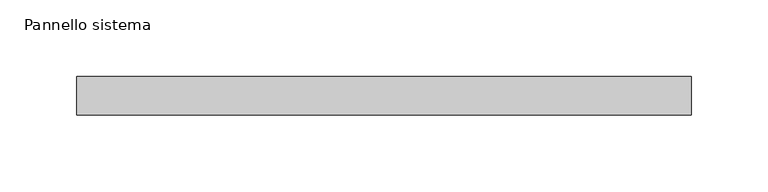
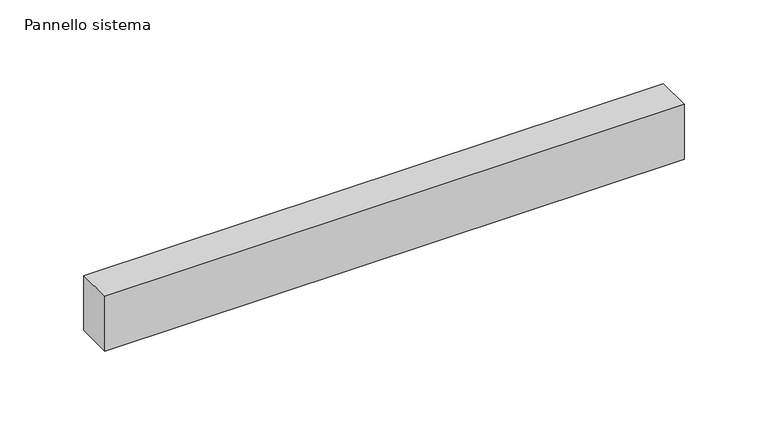
"""IFC4 building model written with IfcOpenShell, lengths in millimetres: plate geometry, Pannello sistema."""

import ifcopenshell
import ifcopenshell.guid

model = None  # the IFC model being written
_history = None  # IfcOwnerHistory: only IFC2X3 demands one
_inside = {}  # id of a spatial element -> (the spatial element, [elements in it])
_under = {}  # id of a project, library or spatial element -> (it, [spatial elements below it])
_declared = {}  # id of a project -> (the project, [libraries it declares])
_typed = {}  # id of a type object -> (the type object, [elements of that type])
_made_of = {}  # id of a material, layer set ... -> (it, [elements and type objects made of it])


def new_model(schema):
    """Start an empty IFC model of exactly this schema.

    Asked for "IFC4X3", IfcOpenShell would pick the latest addendum, in which some entities
    have other attributes; the version numbers below select the first issue.
    IFC2X3 requires an IfcOwnerHistory on every rooted entity: one is made here for all.
    """
    global model, _history
    if schema == "IFC4X3":
        model = ifcopenshell.file(schema_version=(4, 3, 0, 0))
    else:
        model = ifcopenshell.file(schema=schema)
    _inside.clear()
    _under.clear()
    _declared.clear()
    _typed.clear()
    _made_of.clear()
    _history = None
    if model.schema == "IFC2X3":
        org = make("IfcOrganization", Name="unknown")
        user = make(
            "IfcPersonAndOrganization",
            ThePerson=make("IfcPerson", FamilyName="unknown"),
            TheOrganization=org,
        )
        app = make(
            "IfcApplication",
            ApplicationDeveloper=org,
            Version="unknown",
            ApplicationFullName="unknown",
            ApplicationIdentifier="unknown",
        )
        _history = make(
            "IfcOwnerHistory",
            OwningUser=user,
            OwningApplication=app,
            ChangeAction="ADDED",
            CreationDate=0,
        )
    return model


def make(cls, **values):
    """One entity of the class cls with the attributes given. An attribute that is None is left unset."""
    return model.create_entity(
        cls, **{name: value for name, value in values.items() if value is not None}
    )


def rooted(cls, **values):
    """An entity with a GlobalId (a new one), such as an element, a storey or a relation."""
    return make(cls, GlobalId=ifcopenshell.guid.new(), OwnerHistory=_history, **values)


def si_unit(unit_type, name, prefix=None):
    """IfcSIUnit, for example si_unit("LENGTHUNIT", "METRE", prefix="MILLI")."""
    return make("IfcSIUnit", UnitType=unit_type, Prefix=prefix, Name=name)


def assignment(units):
    """IfcUnitAssignment: the units of a project."""
    return None if units is None else make("IfcUnitAssignment", Units=units)


def point(xyz):
    """IfcCartesianPoint."""
    return None if xyz is None else make("IfcCartesianPoint", Coordinates=xyz)


def direction(xyz):
    """IfcDirection."""
    return None if xyz is None else make("IfcDirection", DirectionRatios=xyz)


def frame(location, z_axis=None, x_axis=None):
    """IfcAxis2Placement3D, a coordinate frame: its origin and axes. An axis left out is left unset."""
    return make(
        "IfcAxis2Placement3D",
        Location=point(location),
        Axis=direction(z_axis),
        RefDirection=direction(x_axis),
    )


def origin():
    """The frame at (0, 0, 0) with its axes left unset."""
    return frame((0.0, 0.0, 0.0))


def origin_with_axes():
    """The frame at (0, 0, 0) with the z axis (0, 0, 1) and the x axis (1, 0, 0) written out."""
    return frame((0.0, 0.0, 0.0), z_axis=(0.0, 0.0, 1.0), x_axis=(1.0, 0.0, 0.0))


def place(relative_to, where):
    """IfcLocalPlacement: puts the frame where relative to a parent placement (None: the world)."""
    return make(
        "IfcLocalPlacement", PlacementRelTo=relative_to, RelativePlacement=where
    )


def context(
    kind, dimensions, precision=None, world=None, true_north=None, identifier=None
):
    """IfcGeometricRepresentationContext, for example the 3D "Model" context."""
    return make(
        "IfcGeometricRepresentationContext",
        ContextIdentifier=identifier,
        ContextType=kind,
        CoordinateSpaceDimension=dimensions,
        Precision=precision,
        WorldCoordinateSystem=world,
        TrueNorth=true_north,
    )


def project(units=None, contexts=None):
    """IfcProject with its units and contexts."""
    return rooted(
        "IfcProject",
        Name="project",
        RepresentationContexts=contexts,
        UnitsInContext=assignment(units),
    )


def spatial(cls, under=None, at=None, **own):
    """A site, building, storey or space (cls), placed at a placement, below another one or the project."""
    s = rooted(cls, ObjectPlacement=at, **own)
    if under is not None:
        _under.setdefault(under.id(), (under, []))[1].append(s)
    return s


def polyline(points):
    """IfcPolyline through the points."""
    return make("IfcPolyline", Points=[point(p) for p in points])


def outline(outer, holes=None, kind="AREA"):
    """IfcArbitraryClosedProfileDef: a profile drawn as a closed curve; with holes, ...WithVoids."""
    if holes is None:
        return make("IfcArbitraryClosedProfileDef", ProfileType=kind, OuterCurve=outer)
    return make(
        "IfcArbitraryProfileDefWithVoids",
        ProfileType=kind,
        OuterCurve=outer,
        InnerCurves=holes,
    )


def extrude(swept, where, along, depth):
    """IfcExtrudedAreaSolid: the profile swept, set in the frame where, extruded along a direction by depth."""
    return make(
        "IfcExtrudedAreaSolid",
        SweptArea=swept,
        Position=where,
        ExtrudedDirection=direction(along),
        Depth=depth,
    )


def shape(context_of_items, identifier, shape_type, items):
    """IfcShapeRepresentation: the items that make up one representation, for example the "Body"."""
    return make(
        "IfcShapeRepresentation",
        ContextOfItems=context_of_items,
        RepresentationIdentifier=identifier,
        RepresentationType=shape_type,
        Items=items,
    )


def source(mapping_origin, context_of_items, identifier, shape_type, items):
    """IfcRepresentationMap: a shape defined once, which mapped items show again and again."""
    return make(
        "IfcRepresentationMap",
        MappingOrigin=mapping_origin,
        MappedRepresentation=shape(context_of_items, identifier, shape_type, items),
    )


def transform(
    local_origin,
    x_axis=None,
    y_axis=None,
    z_axis=None,
    scale=None,
    scale2=None,
    scale3=None,
    uniform=True,
):
    """IfcCartesianTransformationOperator3D, or its non-uniform kind. x_axis, y_axis, z_axis: its Axis1, 2, 3."""
    if uniform:
        return make(
            "IfcCartesianTransformationOperator3D",
            Axis1=direction(x_axis),
            Axis2=direction(y_axis),
            LocalOrigin=point(local_origin),
            Scale=scale,
            Axis3=direction(z_axis),
        )
    return make(
        "IfcCartesianTransformationOperator3DnonUniform",
        Axis1=direction(x_axis),
        Axis2=direction(y_axis),
        LocalOrigin=point(local_origin),
        Scale=scale,
        Axis3=direction(z_axis),
        Scale2=scale2,
        Scale3=scale3,
    )


def mapped(mapping_source, mapping_target):
    """IfcMappedItem: shows the shape of a source again, moved by a transform."""
    return make(
        "IfcMappedItem", MappingSource=mapping_source, MappingTarget=mapping_target
    )


def made_of(thing, what):
    """Note that an element or type object is made of a material, layer set ...; save() writes the relation."""
    if what is not None:
        _made_of.setdefault(what.id(), (what, []))[1].append(thing)
    return thing


def element(
    cls,
    number,
    at=None,
    inside=None,
    cuts=None,
    type_object=None,
    material=None,
    context=None,
    identifier="Body",
    shape_type=None,
    held_by="IfcProductDefinitionShape",
    body=None,
    shapes=None,
    **own,
):
    """One element of the class cls, such as IfcWall. Its Tag is "e" and its number.

    at: its placement. inside: the storey or other place that contains it. cuts: it is an
    opening in that element (IfcRelVoidsElement). A single representation is given by context,
    identifier, shape_type and body (its items); several are given by shapes. held_by: the class
    of the entity that holds the representations. save() writes the other relations.
    """
    e = rooted(cls, Tag="e%d" % number, ObjectPlacement=at, **own)
    if body is not None:
        shapes = [shape(context, identifier, shape_type, body)]
    if shapes is not None:
        e.Representation = make(held_by, Representations=shapes)
    if inside is not None:
        _inside.setdefault(inside.id(), (inside, []))[1].append(e)
    if cuts is not None:
        rooted(
            "IfcRelVoidsElement", RelatingBuildingElement=cuts, RelatedOpeningElement=e
        )
    if type_object is not None:
        _typed.setdefault(type_object.id(), (type_object, []))[1].append(e)
    return made_of(e, material)


def aggregate(whole, parts):
    """IfcRelAggregates: a whole, such as a stair, and the parts it consists of."""
    return rooted("IfcRelAggregates", RelatingObject=whole, RelatedObjects=parts)


def save(model, path):
    """Write the relations noted so far, then the file.

    IfcRelAggregates (storeys below a building ...), IfcRelContainedInSpatialStructure (elements
    in a storey), IfcRelDefinesByType, IfcRelAssociatesMaterial and IfcRelDeclares: one each for
    every whole, place, type object, material and project.
    """
    for whole, parts in _under.values():
        aggregate(whole, parts)
    for where, things in _inside.values():
        rooted(
            "IfcRelContainedInSpatialStructure",
            RelatedElements=things,
            RelatingStructure=where,
        )
    for kind, things in _typed.values():
        rooted("IfcRelDefinesByType", RelatedObjects=things, RelatingType=kind)
    for what, things in _made_of.values():
        rooted("IfcRelAssociatesMaterial", RelatedObjects=things, RelatingMaterial=what)
    for by, libraries in _declared.values():
        rooted("IfcRelDeclares", RelatingContext=by, RelatedDefinitions=libraries)
    model.write(path)


def pannello_sistema_f2b47ddc(model_context):
    return source(origin(), model_context, "Body", "SweptSolid", [
        extrude(outline(polyline([(200.0, -12.5), (-200.0, -12.5), (-200.0, 12.5), (200.0, 12.5), (200.0, -12.5)])), origin_with_axes(), (0.0, 0.0, 1.0), 40.0),
    ])


if __name__ == "__main__":
    model = new_model("IFC4")
    model_context = context("Model", 3, world=origin())
    ifc_project = project(units=[si_unit("LENGTHUNIT", "METRE", prefix="MILLI")], contexts=[model_context])
    site = spatial("IfcSite", under=ifc_project)
    building = spatial("IfcBuilding", under=site)
    placement = place(None, origin())
    pannello_sistema_shape = pannello_sistema_f2b47ddc(model_context)
    element("IfcPlate", 1, ObjectType="Pannello sistema", at=placement, inside=building, context=model_context, shape_type="MappedRepresentation", body=[
        mapped(pannello_sistema_shape, transform((0.0, 0.0, 0.0), x_axis=(1.0, 0.0, 0.0), y_axis=(0.0, 1.0, 0.0), z_axis=(0.0, 0.0, 1.0))),
    ])
    save(model, "model.ifc")
